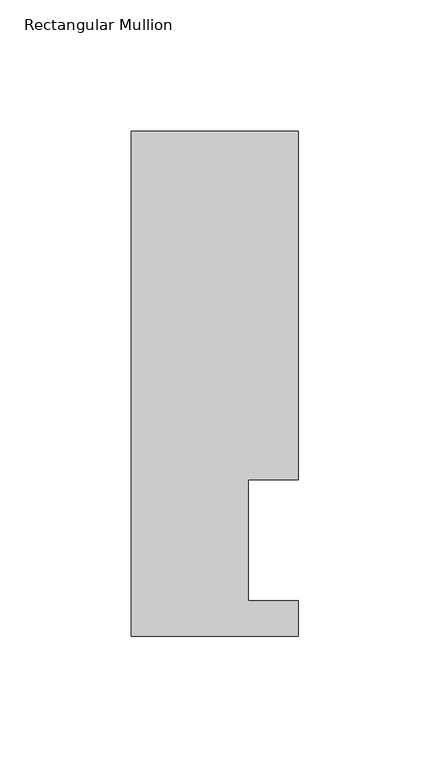
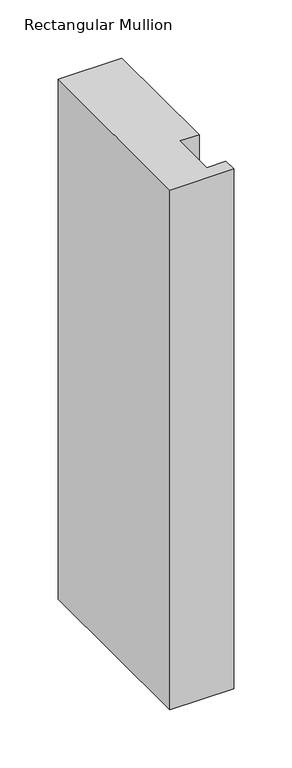
"""IFC4 building model written with IfcOpenShell, lengths in millimetres: member geometry, Rectangular Mullion."""

from ifc_helpers import new_model, si_unit, frame, origin, place, context, project, spatial, polyline, outline, extrude, source, transform, mapped, element, save


def rectangular_mullion_8ddbe3d3(model_context):
    return source(origin(), model_context, "Body", "SweptSolid", [
        extrude(outline(polyline([(-63.5, 0.04445), (-63.5, 192.09385), (0.0, 192.09385), (0.0, 59.53125), (-19.0373, 59.53125), (-19.0373, 13.50645), (0.0, 13.50645), (0.0, 0.04445), (-63.5, 0.04445)])), frame((0.0, 0.0, -546.1), z_axis=(0.0, 0.0, 1.0), x_axis=(1.0, 0.0, 0.0)), (0.0, 0.0, 1.0), 546.1),
    ])


if __name__ == "__main__":
    model = new_model("IFC4")
    model_context = context("Model", 3, world=origin())
    ifc_project = project(units=[si_unit("LENGTHUNIT", "METRE", prefix="MILLI")], contexts=[model_context])
    site = spatial("IfcSite", under=ifc_project)
    building = spatial("IfcBuilding", under=site)
    placement = place(None, origin())
    rectangular_mullion_shape = rectangular_mullion_8ddbe3d3(model_context)
    element("IfcMember", 1, ObjectType="Rectangular Mullion", at=placement, inside=building, context=model_context, shape_type="MappedRepresentation", body=[
        mapped(rectangular_mullion_shape, transform((0.0, 0.0, 0.0), x_axis=(1.0, 0.0, 0.0), y_axis=(0.0, 1.0, 0.0), z_axis=(0.0, 0.0, 1.0))),
    ])
    save(model, "model.ifc")
